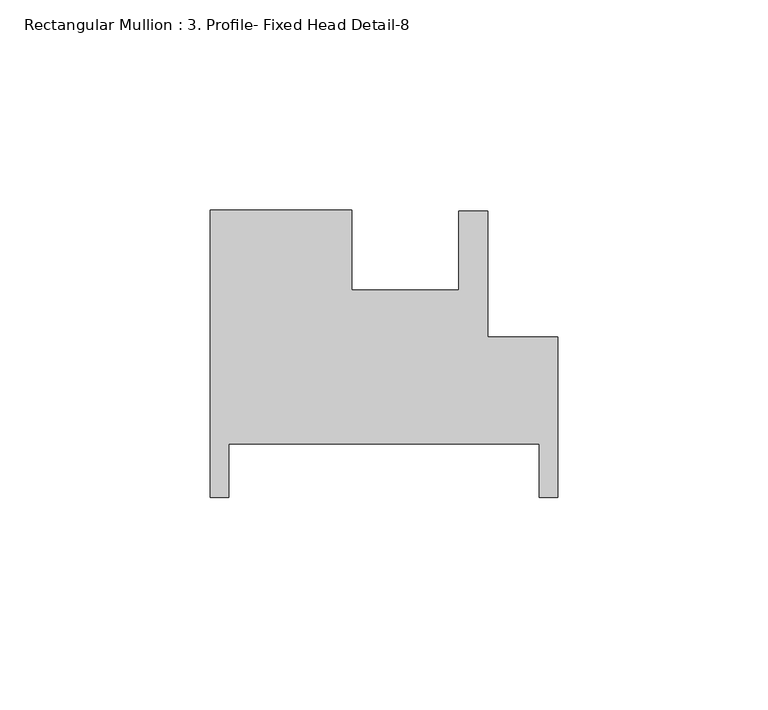
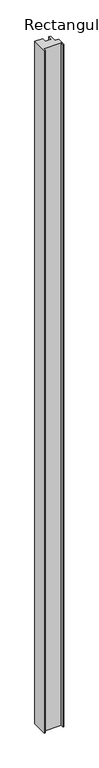
"""IFC4 building model written with IfcOpenShell, lengths in millimetres: member geometry, Rectangular Mullion : 3. Profile- Fixed Head Detail-8."""

from ifc_helpers import new_model, si_unit, frame, origin, place, context, project, spatial, polyline, outline, extrude, source, transform, mapped, element, save


def rectangular_mullion_3_profile_fixed_head_detail_8_c61edfce(model_context):
    return source(origin(), model_context, "Body", "SweptSolid", [
        extrude(outline(polyline([(-82.5500287, 30.1242907), (-48.9438719, 30.1242907), (-48.9438719, 11.0774043), (-23.5438934, 11.0774043), (-23.5438934, 29.8972495), (-16.6350842, 29.8972495), (-16.6350842, -0.0351105), (0.0, -0.0351105), (0.0, -38.1382093), (-4.3180058, -38.1382093), (-4.3180058, -25.4381924), (-78.232023, -25.4381924), (-78.232023, -38.1382093), (-82.5500287, -38.1382093), (-82.5500287, 30.1242907)])), frame((0.0, 0.0, -3048.0), z_axis=(0.0, 0.0, 1.0), x_axis=(1.0, 0.0, 0.0)), (0.0, 0.0, 1.0), 3048.0),
    ])


if __name__ == "__main__":
    model = new_model("IFC4")
    model_context = context("Model", 3, world=origin())
    ifc_project = project(units=[si_unit("LENGTHUNIT", "METRE", prefix="MILLI")], contexts=[model_context])
    site = spatial("IfcSite", under=ifc_project)
    building = spatial("IfcBuilding", under=site)
    placement = place(None, origin())
    rectangular_mullion_3_profile_fixed_head_detail_8_shape = rectangular_mullion_3_profile_fixed_head_detail_8_c61edfce(model_context)
    element("IfcMember", 1, ObjectType="Rectangular Mullion : 3. Profile- Fixed Head Detail-8", at=placement, inside=building, context=model_context, shape_type="MappedRepresentation", body=[
        mapped(rectangular_mullion_3_profile_fixed_head_detail_8_shape, transform((0.0, 0.0, 0.0), x_axis=(1.0, 0.0, 0.0), y_axis=(0.0, 1.0, 0.0), z_axis=(0.0, 0.0, 1.0))),
    ])
    save(model, "model.ifc")
